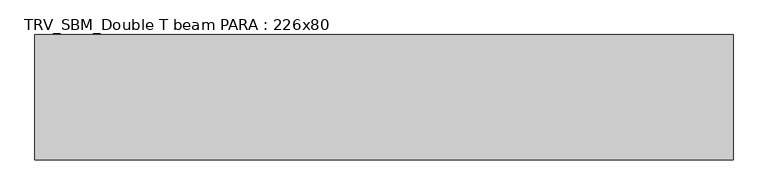
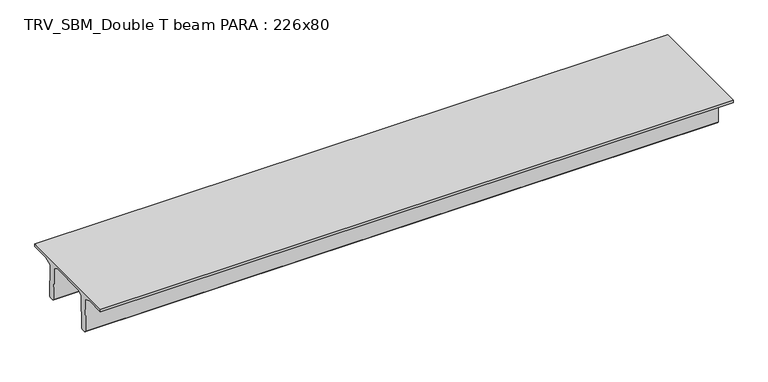
"""IFC4 building model written with IfcOpenShell, lengths in millimetres: beam geometry, TRV_SBM_Double T beam PARA : 226x80."""

import ifcopenshell
import ifcopenshell.guid

model = None  # the IFC model being written
_history = None  # IfcOwnerHistory: only IFC2X3 demands one
_inside = {}  # id of a spatial element -> (the spatial element, [elements in it])
_under = {}  # id of a project, library or spatial element -> (it, [spatial elements below it])
_declared = {}  # id of a project -> (the project, [libraries it declares])
_typed = {}  # id of a type object -> (the type object, [elements of that type])
_made_of = {}  # id of a material, layer set ... -> (it, [elements and type objects made of it])


def new_model(schema):
    """Start an empty IFC model of exactly this schema.

    Asked for "IFC4X3", IfcOpenShell would pick the latest addendum, in which some entities
    have other attributes; the version numbers below select the first issue.
    IFC2X3 requires an IfcOwnerHistory on every rooted entity: one is made here for all.
    """
    global model, _history
    if schema == "IFC4X3":
        model = ifcopenshell.file(schema_version=(4, 3, 0, 0))
    else:
        model = ifcopenshell.file(schema=schema)
    _inside.clear()
    _under.clear()
    _declared.clear()
    _typed.clear()
    _made_of.clear()
    _history = None
    if model.schema == "IFC2X3":
        org = make("IfcOrganization", Name="unknown")
        user = make(
            "IfcPersonAndOrganization",
            ThePerson=make("IfcPerson", FamilyName="unknown"),
            TheOrganization=org,
        )
        app = make(
            "IfcApplication",
            ApplicationDeveloper=org,
            Version="unknown",
            ApplicationFullName="unknown",
            ApplicationIdentifier="unknown",
        )
        _history = make(
            "IfcOwnerHistory",
            OwningUser=user,
            OwningApplication=app,
            ChangeAction="ADDED",
            CreationDate=0,
        )
    return model


def make(cls, **values):
    """One entity of the class cls with the attributes given. An attribute that is None is left unset."""
    return model.create_entity(
        cls, **{name: value for name, value in values.items() if value is not None}
    )


def rooted(cls, **values):
    """An entity with a GlobalId (a new one), such as an element, a storey or a relation."""
    return make(cls, GlobalId=ifcopenshell.guid.new(), OwnerHistory=_history, **values)


def si_unit(unit_type, name, prefix=None):
    """IfcSIUnit, for example si_unit("LENGTHUNIT", "METRE", prefix="MILLI")."""
    return make("IfcSIUnit", UnitType=unit_type, Prefix=prefix, Name=name)


def assignment(units):
    """IfcUnitAssignment: the units of a project."""
    return None if units is None else make("IfcUnitAssignment", Units=units)


def point(xyz):
    """IfcCartesianPoint."""
    return None if xyz is None else make("IfcCartesianPoint", Coordinates=xyz)


def direction(xyz):
    """IfcDirection."""
    return None if xyz is None else make("IfcDirection", DirectionRatios=xyz)


def frame(location, z_axis=None, x_axis=None):
    """IfcAxis2Placement3D, a coordinate frame: its origin and axes. An axis left out is left unset."""
    return make(
        "IfcAxis2Placement3D",
        Location=point(location),
        Axis=direction(z_axis),
        RefDirection=direction(x_axis),
    )


def origin():
    """The frame at (0, 0, 0) with its axes left unset."""
    return frame((0.0, 0.0, 0.0))


def place(relative_to, where):
    """IfcLocalPlacement: puts the frame where relative to a parent placement (None: the world)."""
    return make(
        "IfcLocalPlacement", PlacementRelTo=relative_to, RelativePlacement=where
    )


def context(
    kind, dimensions, precision=None, world=None, true_north=None, identifier=None
):
    """IfcGeometricRepresentationContext, for example the 3D "Model" context."""
    return make(
        "IfcGeometricRepresentationContext",
        ContextIdentifier=identifier,
        ContextType=kind,
        CoordinateSpaceDimension=dimensions,
        Precision=precision,
        WorldCoordinateSystem=world,
        TrueNorth=true_north,
    )


def project(units=None, contexts=None):
    """IfcProject with its units and contexts."""
    return rooted(
        "IfcProject",
        Name="project",
        RepresentationContexts=contexts,
        UnitsInContext=assignment(units),
    )


def spatial(cls, under=None, at=None, **own):
    """A site, building, storey or space (cls), placed at a placement, below another one or the project."""
    s = rooted(cls, ObjectPlacement=at, **own)
    if under is not None:
        _under.setdefault(under.id(), (under, []))[1].append(s)
    return s


def polyline(points):
    """IfcPolyline through the points."""
    return make("IfcPolyline", Points=[point(p) for p in points])


def outline(outer, holes=None, kind="AREA"):
    """IfcArbitraryClosedProfileDef: a profile drawn as a closed curve; with holes, ...WithVoids."""
    if holes is None:
        return make("IfcArbitraryClosedProfileDef", ProfileType=kind, OuterCurve=outer)
    return make(
        "IfcArbitraryProfileDefWithVoids",
        ProfileType=kind,
        OuterCurve=outer,
        InnerCurves=holes,
    )


def extrude(swept, where, along, depth):
    """IfcExtrudedAreaSolid: the profile swept, set in the frame where, extruded along a direction by depth."""
    return make(
        "IfcExtrudedAreaSolid",
        SweptArea=swept,
        Position=where,
        ExtrudedDirection=direction(along),
        Depth=depth,
    )


def shape(context_of_items, identifier, shape_type, items):
    """IfcShapeRepresentation: the items that make up one representation, for example the "Body"."""
    return make(
        "IfcShapeRepresentation",
        ContextOfItems=context_of_items,
        RepresentationIdentifier=identifier,
        RepresentationType=shape_type,
        Items=items,
    )


def source(mapping_origin, context_of_items, identifier, shape_type, items):
    """IfcRepresentationMap: a shape defined once, which mapped items show again and again."""
    return make(
        "IfcRepresentationMap",
        MappingOrigin=mapping_origin,
        MappedRepresentation=shape(context_of_items, identifier, shape_type, items),
    )


def transform(
    local_origin,
    x_axis=None,
    y_axis=None,
    z_axis=None,
    scale=None,
    scale2=None,
    scale3=None,
    uniform=True,
):
    """IfcCartesianTransformationOperator3D, or its non-uniform kind. x_axis, y_axis, z_axis: its Axis1, 2, 3."""
    if uniform:
        return make(
            "IfcCartesianTransformationOperator3D",
            Axis1=direction(x_axis),
            Axis2=direction(y_axis),
            LocalOrigin=point(local_origin),
            Scale=scale,
            Axis3=direction(z_axis),
        )
    return make(
        "IfcCartesianTransformationOperator3DnonUniform",
        Axis1=direction(x_axis),
        Axis2=direction(y_axis),
        LocalOrigin=point(local_origin),
        Scale=scale,
        Axis3=direction(z_axis),
        Scale2=scale2,
        Scale3=scale3,
    )


def mapped(mapping_source, mapping_target):
    """IfcMappedItem: shows the shape of a source again, moved by a transform."""
    return make(
        "IfcMappedItem", MappingSource=mapping_source, MappingTarget=mapping_target
    )


def made_of(thing, what):
    """Note that an element or type object is made of a material, layer set ...; save() writes the relation."""
    if what is not None:
        _made_of.setdefault(what.id(), (what, []))[1].append(thing)
    return thing


def element(
    cls,
    number,
    at=None,
    inside=None,
    cuts=None,
    type_object=None,
    material=None,
    context=None,
    identifier="Body",
    shape_type=None,
    held_by="IfcProductDefinitionShape",
    body=None,
    shapes=None,
    **own,
):
    """One element of the class cls, such as IfcWall. Its Tag is "e" and its number.

    at: its placement. inside: the storey or other place that contains it. cuts: it is an
    opening in that element (IfcRelVoidsElement). A single representation is given by context,
    identifier, shape_type and body (its items); several are given by shapes. held_by: the class
    of the entity that holds the representations. save() writes the other relations.
    """
    e = rooted(cls, Tag="e%d" % number, ObjectPlacement=at, **own)
    if body is not None:
        shapes = [shape(context, identifier, shape_type, body)]
    if shapes is not None:
        e.Representation = make(held_by, Representations=shapes)
    if inside is not None:
        _inside.setdefault(inside.id(), (inside, []))[1].append(e)
    if cuts is not None:
        rooted(
            "IfcRelVoidsElement", RelatingBuildingElement=cuts, RelatedOpeningElement=e
        )
    if type_object is not None:
        _typed.setdefault(type_object.id(), (type_object, []))[1].append(e)
    return made_of(e, material)


def aggregate(whole, parts):
    """IfcRelAggregates: a whole, such as a stair, and the parts it consists of."""
    return rooted("IfcRelAggregates", RelatingObject=whole, RelatedObjects=parts)


def save(model, path):
    """Write the relations noted so far, then the file.

    IfcRelAggregates (storeys below a building ...), IfcRelContainedInSpatialStructure (elements
    in a storey), IfcRelDefinesByType, IfcRelAssociatesMaterial and IfcRelDeclares: one each for
    every whole, place, type object, material and project.
    """
    for whole, parts in _under.values():
        aggregate(whole, parts)
    for where, things in _inside.values():
        rooted(
            "IfcRelContainedInSpatialStructure",
            RelatedElements=things,
            RelatingStructure=where,
        )
    for kind, things in _typed.values():
        rooted("IfcRelDefinesByType", RelatedObjects=things, RelatingType=kind)
    for what, things in _made_of.values():
        rooted("IfcRelAssociatesMaterial", RelatedObjects=things, RelatingMaterial=what)
    for by, libraries in _declared.values():
        rooted("IfcRelDeclares", RelatingContext=by, RelatedDefinitions=libraries)
    model.write(path)


def trv_sbm_double_t_beam_para_226x80_24734343(model_context):
    return source(origin(), model_context, "Body", "SweptSolid", [
        extrude(outline(polyline([(352.1399239, 205.988519), (-382.1399239, 205.988519), (-485.0, 144.18395), (-501.9262559, -520.5206011), (-521.4056548, -540.0), (-611.4056548, -540.0), (-631.9887932, -520.5206011), (-615.2025683, 140.6523122), (-776.9153545, 205.988519), (-1145.0, 205.988519), (-1145.0, 260.0), (1115.0, 260.0), (1115.0, 205.988519), (746.9153545, 205.988519), (585.2025683, 140.6523122), (601.9887932, -520.5206011), (581.4056548, -540.0), (491.4056548, -540.0), (471.9262559, -520.5206011), (455.0, 144.18395), (352.1399239, 205.988519)])), frame((-6317.0, 0.0, 0.0), z_axis=(1.0, 0.0, 0.0), x_axis=(0.0, 1.0, 0.0)), (0.0, 0.0, 1.0), 12589.9062685),
    ])


if __name__ == "__main__":
    model = new_model("IFC4")
    model_context = context("Model", 3, world=origin())
    ifc_project = project(units=[si_unit("LENGTHUNIT", "METRE", prefix="MILLI")], contexts=[model_context])
    site = spatial("IfcSite", under=ifc_project)
    building = spatial("IfcBuilding", under=site)
    placement = place(None, origin())
    trv_sbm_double_t_beam_para_226x80_shape = trv_sbm_double_t_beam_para_226x80_24734343(model_context)
    element("IfcBeam", 1, ObjectType="TRV_SBM_Double T beam PARA : 226x80", at=placement, inside=building, context=model_context, shape_type="MappedRepresentation", body=[
        mapped(trv_sbm_double_t_beam_para_226x80_shape, transform((0.0, 0.0, 0.0), x_axis=(1.0, 0.0, 0.0), y_axis=(0.0, 1.0, 0.0), z_axis=(0.0, 0.0, 1.0))),
    ])
    save(model, "model.ifc")
